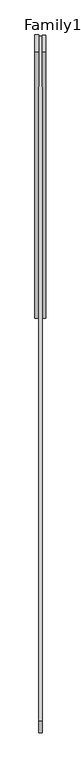
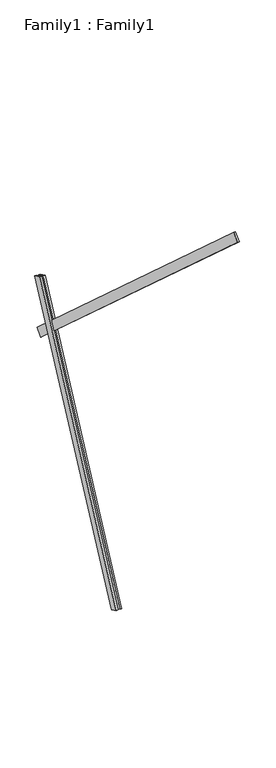
"""IFC4 building model written with IfcOpenShell, lengths in millimetres: proxy geometry, Family1 : Family1."""

from ifc_helpers import new_model, si_unit, frame, origin, place, context, project, spatial, polyline, outline, extrude, source, transform, mapped, element, save


def family1_family1_7d908da0(model_context):
    return source(origin(), model_context, "Body", "SweptSolid", [
        extrude(outline(polyline([(0.0, 0.0), (0.0, -20.0), (-100.0000001, -20.0), (-100.0000001, 0.0), (0.0, 0.0)])), frame((-30.0, 46.3241747, -22.5938096), z_axis=(0.0, 0.4383711467890692, 0.8987940462991711), x_axis=(0.0, 0.8987940462991711, -0.4383711467890692)), (0.0, 0.0, 1.0), 3300.0),
        extrude(outline(polyline([(0.0, 0.0), (0.0, -20.0), (-99.9999999, -20.0), (-99.9999999, 0.0), (0.0, 0.0)])), frame((10.0, 45.270232, -22.0797674), z_axis=(0.0, 0.4383711467890692, 0.8987940462991711), x_axis=(0.0, 0.8987940462991711, -0.4383711467890692)), (0.0, 0.0, 1.0), 3300.0),
        extrude(outline(polyline([(0.0, -20.0), (0.0, 0.0), (4999.9999999, 0.0), (4999.9999999, -20.0), (0.0, -20.0)])), frame((-10.0, -2297.5067509, 5623.2172932), z_axis=(0.0, 0.6691306063588596, 0.743144825477393), x_axis=(0.0, 0.743144825477393, -0.6691306063588596)), (0.0, 0.0, 1.0), 100.0),
    ])


if __name__ == "__main__":
    model = new_model("IFC4")
    model_context = context("Model", 3, world=origin())
    ifc_project = project(units=[si_unit("LENGTHUNIT", "METRE", prefix="MILLI")], contexts=[model_context])
    site = spatial("IfcSite", under=ifc_project)
    building = spatial("IfcBuilding", under=site)
    placement = place(None, origin())
    family1_family1_shape = family1_family1_7d908da0(model_context)
    element("IfcBuildingElementProxy", 1, Name="Family1 : Family1", ObjectType="Family1 : Family1", at=placement, inside=building, context=model_context, shape_type="MappedRepresentation", body=[
        mapped(family1_family1_shape, transform((0.0, 0.0, 0.0), x_axis=(1.0, 0.0, 0.0), y_axis=(0.0, 1.0, 0.0), z_axis=(0.0, 0.0, 1.0))),
    ])
    save(model, "model.ifc")
